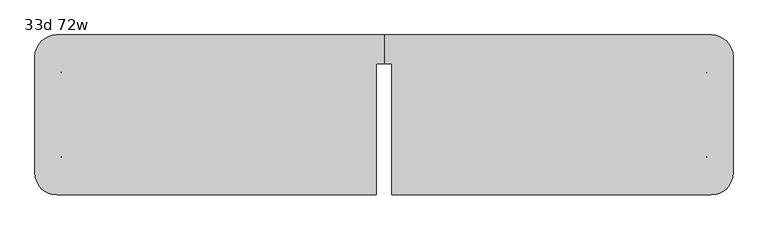
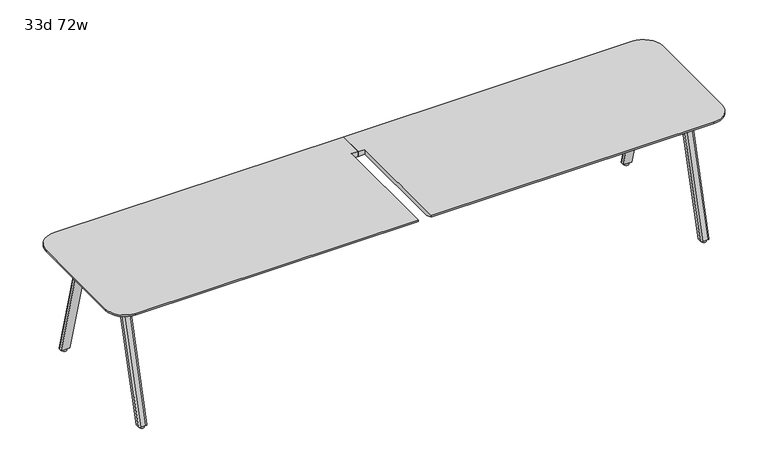
"""IFC4 building model written with IfcOpenShell, lengths in millimetres: furniture geometry, 33d 72w."""

from ifc_helpers import new_model, si_unit, point, frame, frame_2d, origin, origin_with_axes, place, context, project, spatial, polyline, circle_curve, trimmed, segment, composite_curve, outline, extrude, source, transform, mapped, element, save
from ifc_brep_helpers import plane_surface, cylinder_surface, revolved_surface, extruded_surface, advanced_brep


def furniture_33d_72w_185ea632(model_context):
    return source(origin(), model_context, "Body", "SolidModel", [
        extrude(outline(composite_curve([segment(trimmed(circle_curve(frame_2d((-2158.619, 11.3410641)), 9.525), [point((-2158.619, 1.8160641))], [point((-2168.144, 11.3410641))], False, "CARTESIAN"), True, "CONTINUOUS"), segment(polyline([(-2168.144, 11.3410641), (-2168.144, 94.0144335)]), True, "CONTINUOUS"), segment(trimmed(circle_curve(frame_2d((-2158.619, 94.0144335)), 9.525), [point((-2168.144, 94.0144335))], [point((-2158.619, 103.5394335))], False, "CARTESIAN"), True, "CONTINUOUS"), segment(polyline([(-2158.619, 103.5394335), (-2050.6690004, 103.5394335)]), True, "CONTINUOUS"), segment(trimmed(circle_curve(frame_2d((-2050.6690004, 94.0144335)), 9.525), [point((-2050.6690004, 103.5394335))], [point((-2041.1440004, 94.0144335))], False, "CARTESIAN"), True, "CONTINUOUS"), segment(polyline([(-2041.1440004, 94.0144335), (-2041.1440004, 11.3410641)]), True, "CONTINUOUS"), segment(trimmed(circle_curve(frame_2d((-2050.6690004, 11.3410641)), 9.525), [point((-2041.1440004, 11.3410641))], [point((-2050.6690004, 1.8160641))], False, "CARTESIAN"), True, "CONTINUOUS"), segment(polyline([(-2050.6690004, 1.8160641), (-2158.619, 1.8160641)]), True, "CONTINUOUS")], self_intersect=False)), frame((0.0, 0.0, 705.2055742), z_axis=(0.0, 0.0, 1.0), x_axis=(1.0, 0.0, 0.0)), (0.0, 0.0, 1.0), 5.9944258),
        advanced_brep(
        [(-2152.65, 96.3152734, 705.2055742), (-2162.175, 86.7902734, 705.2055742), (-2162.175, 66.1527734, 705.2055742), (-2111.375, 66.1527734, 705.2055742), (-2111.375, 86.7902734, 705.2055742), (-2120.9, 96.3152734, 705.2055742), (-2152.65, 282.8035641, 12.7), (-2120.9, 282.8035641, 12.7), (-2111.375, 273.2785641, 12.7), (-2111.375, 252.6410641, 12.7), (-2162.175, 252.6410641, 12.7), (-2162.175, 273.2785641, 12.7)],
        [
            (0, 1, circle_curve(frame((-2152.65, 86.7902734, 705.2055742), z_axis=(0.0, 0.0, 1.0), x_axis=(-1.0, 0.0, 0.0)), 9.525)),
            (1, 2),
            (2, 3),
            (3, 4),
            (4, 5, circle_curve(frame((-2120.9, 86.7902734, 705.2055742), z_axis=(0.0, 0.0, 1.0), x_axis=(-1.0, 0.0, 0.0)), 9.525)),
            (5, 0),
            (6, 7),
            (7, 8, circle_curve(frame((-2120.9, 273.2785641, 12.7), z_axis=(0.0, 0.0, -1.0), x_axis=(-1.0, 0.0, 0.0)), 9.525)),
            (8, 9),
            (9, 10),
            (10, 11),
            (11, 6, circle_curve(frame((-2152.65, 273.2785641, 12.7), z_axis=(0.0, 0.0, -1.0), x_axis=(-1.0, 0.0, 0.0)), 9.525)),
            (11, 1),
            (0, 6),
            (10, 2),
            (9, 3),
            (8, 4),
            (7, 5),
        ],
        [
            plane_surface(frame((-2136.775, 83.0861068, 705.2055742), z_axis=(0.0, 0.0, 1.0), x_axis=(1.0, 0.0, 0.0))),
            plane_surface(frame((-2136.775, 269.5743975, 12.7), z_axis=(0.0, 0.0, -1.0), x_axis=(1.0, 0.0, 0.0))),
            extruded_surface(trimmed(circle_curve(frame((-2152.65, 273.2785641, 12.7), z_axis=(0.0, 0.0, 1.0), x_axis=(-1.0, 0.0, 0.0)), 9.525), [point((-2152.65, 282.8035641, 12.7))], [point((-2162.175, 273.2785641, 12.7))], True, "CARTESIAN"), (0.0, -186.4882907, 692.5055742), 717.1763052878136),
            plane_surface(frame((-2162.175, 262.9598141, 12.7), z_axis=(-1.0, 0.0, 0.0), x_axis=(0.0, -1.0, 0.0))),
            plane_surface(frame((-2136.775, 252.6410641, 12.7), z_axis=(0.0, -0.9656001865922422, -0.260031305140414), x_axis=(1.0, 0.0, 0.0))),
            plane_surface(frame((-2111.375, 262.9598141, 12.7), z_axis=(1.0, 0.0, 0.0), x_axis=(0.0, 1.0, 0.0))),
            extruded_surface(trimmed(circle_curve(frame((-2120.9, 273.2785641, 12.7), z_axis=(0.0, 0.0, 1.0), x_axis=(-1.0, 0.0, 0.0)), 9.525), [point((-2111.375, 273.2785641, 12.7))], [point((-2120.9, 282.8035641, 12.7))], True, "CARTESIAN"), (0.0, -186.4882907, 692.5055742), 717.1763052878136),
            plane_surface(frame((-2136.775, 282.8035641, 12.7), z_axis=(0.0, 0.9656001865922422, 0.260031305140414), x_axis=(-1.0, 0.0, 0.0))),
        ],
        [
            (0, [[1, 2, 3, 4, 5, 6]]),
            (1, [[7, 8, 9, 10, 11, 12]]),
            (2, [[-12, 13, -1, 14]]),
            (3, [[-11, 15, -2, -13]]),
            (4, [[-10, 16, -3, -15]]),
            (5, [[-9, 17, -4, -16]]),
            (6, [[-8, 18, -5, -17]]),
            (7, [[-7, -14, -6, -18]]),
        ],
    ),
        extrude(outline(composite_curve([segment(trimmed(circle_curve(frame_2d((-2136.775, 266.9285641)), 12.7), [point((-2124.075, 266.9285641))], [point((-2149.475, 266.9285641))], False, "CARTESIAN"), True, "CONTINUOUS"), segment(trimmed(circle_curve(frame_2d((-2136.775, 266.9285641)), 12.7), [point((-2149.475, 266.9285641))], [point((-2124.075, 266.9285641))], False, "CARTESIAN"), True, "CONTINUOUS")], self_intersect=False)), origin_with_axes(), (0.0, 0.0, 1.0), 12.7),
        extrude(outline(composite_curve([segment(polyline([(-2158.619, -264.7980172), (-2050.6690004, -264.7980172)]), True, "CONTINUOUS"), segment(trimmed(circle_curve(frame_2d((-2050.6690004, -274.3230172)), 9.525), [point((-2050.6690004, -264.7980172))], [point((-2041.1440004, -274.3230172))], False, "CARTESIAN"), True, "CONTINUOUS"), segment(polyline([(-2041.1440004, -274.3230172), (-2041.1440004, -356.9963866)]), True, "CONTINUOUS"), segment(trimmed(circle_curve(frame_2d((-2050.6690004, -356.9963866)), 9.525), [point((-2041.1440004, -356.9963866))], [point((-2050.6690004, -366.5213866))], False, "CARTESIAN"), True, "CONTINUOUS"), segment(polyline([(-2050.6690004, -366.5213866), (-2158.619, -366.5213866)]), True, "CONTINUOUS"), segment(trimmed(circle_curve(frame_2d((-2158.619, -356.9963866)), 9.525), [point((-2158.619, -366.5213866))], [point((-2168.144, -356.9963866))], False, "CARTESIAN"), True, "CONTINUOUS"), segment(polyline([(-2168.144, -356.9963866), (-2168.144, -274.3230172)]), True, "CONTINUOUS"), segment(trimmed(circle_curve(frame_2d((-2158.619, -274.3230172)), 9.525), [point((-2168.144, -274.3230172))], [point((-2158.619, -264.7980172))], False, "CARTESIAN"), True, "CONTINUOUS")], self_intersect=False)), frame((0.0, 0.0, 705.2055742), z_axis=(0.0, 0.0, 1.0), x_axis=(1.0, 0.0, 0.0)), (0.0, 0.0, 1.0), 5.9944258),
        advanced_brep(
        [(-2152.65, -359.2972266, 705.2055742), (-2120.9, -359.2972266, 705.2055742), (-2111.375, -349.7722266, 705.2055742), (-2111.375, -329.1347266, 705.2055742), (-2162.175, -329.1347266, 705.2055742), (-2162.175, -349.7722266, 705.2055742), (-2152.65, -545.7855172, 12.7), (-2162.175, -536.2605172, 12.7), (-2162.175, -515.6230172, 12.7), (-2111.375, -515.6230172, 12.7), (-2111.375, -536.2605172, 12.7), (-2120.9, -545.7855172, 12.7)],
        [
            (0, 1),
            (1, 2, circle_curve(frame((-2120.9, -349.7722266, 705.2055742), z_axis=(0.0, 0.0, 1.0), x_axis=(-1.0, 0.0, 0.0)), 9.525)),
            (2, 3),
            (3, 4),
            (4, 5),
            (5, 0, circle_curve(frame((-2152.65, -349.7722266, 705.2055742), z_axis=(0.0, 0.0, 1.0), x_axis=(-1.0, 0.0, 0.0)), 9.525)),
            (6, 7, circle_curve(frame((-2152.65, -536.2605172, 12.7), z_axis=(0.0, 0.0, -1.0), x_axis=(-1.0, 0.0, 0.0)), 9.525)),
            (7, 8),
            (8, 9),
            (9, 10),
            (10, 11, circle_curve(frame((-2120.9, -536.2605172, 12.7), z_axis=(0.0, 0.0, -1.0), x_axis=(-1.0, 0.0, 0.0)), 9.525)),
            (11, 6),
            (6, 0),
            (5, 7),
            (4, 8),
            (3, 9),
            (2, 10),
            (1, 11),
        ],
        [
            plane_surface(frame((-2136.775, -346.0680599, 705.2055742), z_axis=(0.0, 0.0, 1.0), x_axis=(1.0, 0.0, 0.0))),
            plane_surface(frame((-2136.775, -532.5563506, 12.7), z_axis=(0.0, 0.0, -1.0), x_axis=(1.0, 0.0, 0.0))),
            extruded_surface(trimmed(circle_curve(frame((-2152.65, -349.7722266, 705.2055742), z_axis=(0.0, 0.0, -1.0), x_axis=(-1.0, 0.0, 0.0)), 9.525), [point((-2152.65, -359.2972266, 705.2055742))], [point((-2162.175, -349.7722266, 705.2055742))], True, "CARTESIAN"), (0.0, -186.48829059999997, -692.5055742), 717.1763052618105),
            plane_surface(frame((-2162.175, -525.9417672, 12.7), z_axis=(-1.0, 0.0, 0.0), x_axis=(0.0, 1.0, 0.0))),
            plane_surface(frame((-2136.775, -515.6230172, 12.7), z_axis=(0.0, 0.9656001865922422, -0.260031305140414), x_axis=(1.0, 0.0, 0.0))),
            plane_surface(frame((-2111.375, -525.9417672, 12.7), z_axis=(1.0, 0.0, 0.0), x_axis=(0.0, -1.0, 0.0))),
            extruded_surface(trimmed(circle_curve(frame((-2120.9, -349.7722266, 705.2055742), z_axis=(0.0, 0.0, -1.0), x_axis=(-1.0, 0.0, 0.0)), 9.525), [point((-2111.375, -349.7722266, 705.2055742))], [point((-2120.9, -359.2972266, 705.2055742))], True, "CARTESIAN"), (0.0, -186.48829059999997, -692.5055742), 717.1763052618105),
            plane_surface(frame((-2136.775, -545.7855172, 12.7), z_axis=(0.0, -0.9656001865922422, 0.260031305140414), x_axis=(-1.0, 0.0, 0.0))),
        ],
        [
            (0, [[1, 2, 3, 4, 5, 6]]),
            (1, [[7, 8, 9, 10, 11, 12]]),
            (2, [[13, -6, 14, -7]]),
            (3, [[-14, -5, 15, -8]]),
            (4, [[-15, -4, 16, -9]]),
            (5, [[-16, -3, 17, -10]]),
            (6, [[-17, -2, 18, -11]]),
            (7, [[-18, -1, -13, -12]]),
        ],
    ),
        extrude(outline(composite_curve([segment(trimmed(circle_curve(frame_2d((-2136.775, -529.9105172)), 12.7), [point((-2124.075, -529.9105172))], [point((-2149.475, -529.9105172))], False, "CARTESIAN"), True, "CONTINUOUS"), segment(trimmed(circle_curve(frame_2d((-2136.775, -529.9105172)), 12.7), [point((-2149.475, -529.9105172))], [point((-2124.075, -529.9105172))], False, "CARTESIAN"), True, "CONTINUOUS")], self_intersect=False)), origin_with_axes(), (0.0, 0.0, 1.0), 12.7),
        advanced_brep(
        [(-509.5875, -550.5909766, 741.3625), (-509.5875, 135.2090234, 741.3625), (-469.9, 135.2090234, 741.3625), (-469.9, 287.6090234, 741.3625), (-2184.4, 287.6090234, 741.3625), (-2298.7, 173.3090234, 741.3625), (-2298.7, -436.2909766, 741.3625), (-2184.4, -550.5909766, 741.3625), (-509.5875, 135.2090234, 711.2), (-509.5875, -499.7909766, 711.2), (-2184.4, -499.7909766, 711.2), (-2247.9, -436.2909766, 711.2), (-2247.9, 173.3090234, 711.2), (-2184.4, 236.8090234, 711.2), (-469.9, 236.8090234, 711.2), (-469.9, 135.2090234, 711.2), (-2184.4, -550.5909766, 731.8375), (-509.5875, -550.5909766, 731.8375), (-2298.7, 173.3090234, 731.8375), (-2298.7, -436.2909766, 731.8375), (-469.9, 287.6090234, 731.8375), (-2184.4, 287.6090234, 731.8375)],
        [
            (0, 1),
            (1, 2),
            (2, 3),
            (3, 4),
            (4, 5, circle_curve(frame((-2184.4, 173.3090234, 741.3625), z_axis=(0.0, 0.0, 1.0), x_axis=(-1.0, 0.0, 0.0)), 114.3)),
            (5, 6),
            (6, 7, circle_curve(frame((-2184.4, -436.2909766, 741.3625), z_axis=(0.0, 0.0, 1.0), x_axis=(-1.0, 0.0, 0.0)), 114.3)),
            (7, 0),
            (8, 9),
            (9, 10),
            (10, 11, circle_curve(frame((-2184.4, -436.2909766, 711.2), z_axis=(0.0, 0.0, -1.0), x_axis=(0.0, -1.0, 0.0)), 63.5)),
            (11, 12),
            (12, 13, circle_curve(frame((-2184.4, 173.3090234, 711.2), z_axis=(0.0, 0.0, -1.0), x_axis=(-1.0, 0.0, 0.0)), 63.5)),
            (13, 14),
            (14, 15),
            (15, 8),
            (7, 16),
            (16, 17),
            (17, 0),
            (5, 18),
            (18, 19),
            (19, 6),
            (19, 16, circle_curve(frame((-2184.4, -436.2909766, 731.8375), z_axis=(0.0, 0.0, 1.0), x_axis=(-1.0, 0.0, 0.0)), 114.3)),
            (3, 20),
            (20, 21),
            (21, 4),
            (9, 17),
            (16, 10),
            (19, 11),
            (18, 12),
            (18, 21, circle_curve(frame((-2184.4, 173.3090234, 731.8375), z_axis=(0.0, 0.0, -1.0), x_axis=(-1.0, 0.0, 0.0)), 114.3)),
            (21, 13),
            (20, 14),
            (1, 8),
            (15, 2),
        ],
        [
            plane_surface(frame((-2184.4, -550.5909766, 741.3625), z_axis=(0.0, 0.0, 1.0), x_axis=(-1.0, 0.0, 0.0))),
            plane_surface(frame((-2184.4, -550.5909766, 711.2), z_axis=(0.0, 0.0, -1.0), x_axis=(1.0, 0.0, 0.0))),
            plane_surface(frame((-509.5875, -550.5909766, 741.3625), z_axis=(0.0, -1.0, 0.0), x_axis=(0.0, 0.0, -1.0))),
            plane_surface(frame((-2298.7, -436.2909766, 741.3625), z_axis=(-1.0, 0.0, 0.0), x_axis=(0.0, 0.0, -1.0))),
            cylinder_surface(frame((-2184.4, -436.2909766, 711.2), z_axis=(0.0, 0.0, 1.0), x_axis=(-1.0, 0.0, 0.0)), 114.3),
            plane_surface(frame((-2184.4, 287.6090234, 741.3625), z_axis=(0.0, 1.0, 0.0), x_axis=(0.0, 0.0, -1.0))),
            plane_surface(frame((-509.5875, -550.5909766, 731.8375), z_axis=(0.0, -0.3763770469570871, -0.9264665771218423), x_axis=(-1.0, 0.0, 0.0))),
            revolved_surface(polyline([(-2184.4, -499.7909766, 711.2), (-2184.4, -550.5909766, 731.8375)]), (-2184.4, -436.2909766, 0.0), (0.0, 0.0, 1.0)),
            plane_surface(frame((-2298.7, -436.2909766, 731.8375), z_axis=(-0.3763770469570871, 0.0, -0.9264665771218423), x_axis=(0.0, 1.0, 0.0))),
            revolved_surface(polyline([(-2247.9, 173.3090234, 711.2), (-2298.7, 173.3090234, 731.8375)]), (-2184.4, 173.3090234, 0.0), (0.0, 0.0, 1.0)),
            plane_surface(frame((-2184.4, 287.6090234, 731.8375), z_axis=(0.0, 0.3763770469570871, -0.9264665771218423), x_axis=(1.0, 0.0, 0.0))),
            cylinder_surface(frame((-2184.4, 173.3090234, 711.2), z_axis=(0.0, 0.0, 1.0), x_axis=(-1.0, 0.0, 0.0)), 114.3),
            plane_surface(frame((-469.9, 135.2090234, 741.3625), z_axis=(0.0, -1.0, 0.0), x_axis=(0.0, 0.0, -1.0))),
            plane_surface(frame((-469.9, 287.6090234, 741.3625), z_axis=(1.0, 0.0, 0.0), x_axis=(0.0, 0.0, -1.0))),
            plane_surface(frame((-509.5875, 135.2090234, 741.3625), z_axis=(1.0, 0.0, 0.0), x_axis=(0.0, 0.0, -1.0))),
        ],
        [
            (0, [[1, 2, 3, 4, 5, 6, 7, 8]]),
            (1, [[9, 10, 11, 12, 13, 14, 15, 16]]),
            (2, [[17, 18, 19, -8]]),
            (3, [[20, 21, 22, -6]]),
            (4, [[-22, 23, -17, -7]]),
            (5, [[24, 25, 26, -4]]),
            (6, [[-10, 27, -18, 28]]),
            (7, [[-23, 29, -11, -28]]),
            (8, [[-21, 30, -12, -29]]),
            (9, [[31, 32, -13, -30]]),
            (10, [[-25, 33, -14, -32]]),
            (11, [[-26, -31, -20, -5]]),
            (12, [[34, -16, 35, -2]]),
            (13, [[-35, -15, -33, -24, -3]]),
            (14, [[-19, -27, -9, -34, -1]]),
        ],
    ),
        advanced_brep(
        [(-430.2125, -550.5909766, 741.3625), (1244.6, -550.5909766, 741.3625), (1358.9, -436.2909766, 741.3625), (1358.9, 173.3090234, 741.3625), (1244.6, 287.6090234, 741.3625), (-469.9, 287.6090234, 741.3625), (-469.9, 135.2090234, 741.3625), (-430.2125, 135.2090234, 741.3625), (-430.2125, 135.2090234, 711.2), (-469.9, 135.2090234, 711.2), (-469.9, 236.8090234, 711.2), (1244.6, 236.8090234, 711.2), (1308.1, 173.3090234, 711.2), (1308.1, -436.2909766, 711.2), (1244.6, -499.7909766, 711.2), (-430.2125, -499.7909766, 711.2), (-430.2125, -550.5909766, 731.8375), (1244.6, -550.5909766, 731.8375), (1358.9, -436.2909766, 731.8375), (1358.9, 173.3090234, 731.8375), (1244.6, 287.6090234, 731.8375), (-469.9, 287.6090234, 731.8375)],
        [
            (0, 1),
            (1, 2, circle_curve(frame((1244.6, -436.2909766, 741.3625), z_axis=(0.0, 0.0, 1.0), x_axis=(1.0, 0.0, 0.0)), 114.3)),
            (2, 3),
            (3, 4, circle_curve(frame((1244.6, 173.3090234, 741.3625), z_axis=(0.0, 0.0, 1.0), x_axis=(1.0, 0.0, 0.0)), 114.3)),
            (4, 5),
            (5, 6),
            (6, 7),
            (7, 0),
            (8, 9),
            (9, 10),
            (10, 11),
            (11, 12, circle_curve(frame((1244.6, 173.3090234, 711.2), z_axis=(0.0, 0.0, -1.0), x_axis=(1.0, 0.0, 0.0)), 63.5)),
            (12, 13),
            (13, 14, circle_curve(frame((1244.6, -436.2909766, 711.2), z_axis=(0.0, 0.0, -1.0), x_axis=(0.0, -1.0, 0.0)), 63.5)),
            (14, 15),
            (15, 8),
            (0, 16),
            (16, 17),
            (17, 1),
            (2, 18),
            (18, 19),
            (19, 3),
            (17, 18, circle_curve(frame((1244.6, -436.2909766, 731.8375), z_axis=(0.0, 0.0, 1.0), x_axis=(1.0, 0.0, 0.0)), 114.3)),
            (4, 20),
            (20, 21),
            (21, 5),
            (14, 17),
            (16, 15),
            (13, 18),
            (12, 19),
            (11, 20),
            (20, 19, circle_curve(frame((1244.6, 173.3090234, 731.8375), z_axis=(0.0, 0.0, -1.0), x_axis=(1.0, 0.0, 0.0)), 114.3)),
            (10, 21),
            (6, 9),
            (8, 7),
        ],
        [
            plane_surface(frame((1244.6, -550.5909766, 741.3625), z_axis=(0.0, 0.0, 1.0), x_axis=(1.0, 0.0, 0.0))),
            plane_surface(frame((1244.6, -550.5909766, 711.2), z_axis=(0.0, 0.0, -1.0), x_axis=(-1.0, 0.0, 0.0))),
            plane_surface(frame((-430.2125, -550.5909766, 741.3625), z_axis=(0.0, -1.0, 0.0), x_axis=(0.0, 0.0, -1.0))),
            plane_surface(frame((1358.9, -436.2909766, 741.3625), z_axis=(1.0, 0.0, 0.0), x_axis=(0.0, 0.0, -1.0))),
            cylinder_surface(frame((1244.6, -436.2909766, 711.2), z_axis=(0.0, 0.0, 1.0), x_axis=(1.0, 0.0, 0.0)), 114.3),
            plane_surface(frame((1244.6, 287.6090234, 741.3625), z_axis=(0.0, 1.0, 0.0), x_axis=(0.0, 0.0, -1.0))),
            plane_surface(frame((-430.2125, -550.5909766, 731.8375), z_axis=(0.0, -0.3763770469570871, -0.9264665771218423), x_axis=(1.0, 0.0, 0.0))),
            revolved_surface(polyline([(1244.6, -499.7909766, 711.2), (1244.6, -550.5909766, 731.8375)]), (1244.6, -436.2909766, 0.0), (0.0, 0.0, 1.0)),
            plane_surface(frame((1358.9, -436.2909766, 731.8375), z_axis=(0.3763770469570871, 0.0, -0.9264665771218423), x_axis=(0.0, 1.0, 0.0))),
            revolved_surface(polyline([(1308.1, 173.3090234, 711.2), (1358.9, 173.3090234, 731.8375)]), (1244.6, 173.3090234, 0.0), (0.0, 0.0, 1.0)),
            plane_surface(frame((1244.6, 287.6090234, 731.8375), z_axis=(0.0, 0.3763770469570871, -0.9264665771218423), x_axis=(-1.0, 0.0, 0.0))),
            cylinder_surface(frame((1244.6, 173.3090234, 711.2), z_axis=(0.0, 0.0, 1.0), x_axis=(1.0, 0.0, 0.0)), 114.3),
            plane_surface(frame((-469.9, 135.2090234, 741.3625), z_axis=(0.0, -1.0, 0.0), x_axis=(0.0, 0.0, -1.0))),
            plane_surface(frame((-469.9, 287.6090234, 741.3625), z_axis=(-1.0, 0.0, 0.0), x_axis=(0.0, 0.0, -1.0))),
            plane_surface(frame((-430.2125, 135.2090234, 741.3625), z_axis=(-1.0, 0.0, 0.0), x_axis=(0.0, 0.0, -1.0))),
        ],
        [
            (0, [[1, 2, 3, 4, 5, 6, 7, 8]]),
            (1, [[9, 10, 11, 12, 13, 14, 15, 16]]),
            (2, [[-1, 17, 18, 19]]),
            (3, [[-3, 20, 21, 22]]),
            (4, [[-2, -19, 23, -20]]),
            (5, [[-5, 24, 25, 26]]),
            (6, [[27, -18, 28, -15]]),
            (7, [[-27, -14, 29, -23]]),
            (8, [[-29, -13, 30, -21]]),
            (9, [[-30, -12, 31, 32]]),
            (10, [[-31, -11, 33, -25]]),
            (11, [[-4, -22, -32, -24]]),
            (12, [[-7, 34, -9, 35]]),
            (13, [[-6, -26, -33, -10, -34]]),
            (14, [[-8, -35, -16, -28, -17]]),
        ],
    ),
        extrude(outline(composite_curve([segment(polyline([(1218.819, 1.8160641), (1110.8690004, 1.8160641)]), True, "CONTINUOUS"), segment(trimmed(circle_curve(frame_2d((1110.8690004, 11.3410641)), 9.525), [point((1110.8690004, 1.8160641))], [point((1101.3440004, 11.3410641))], False, "CARTESIAN"), True, "CONTINUOUS"), segment(polyline([(1101.3440004, 11.3410641), (1101.3440004, 94.0144335)]), True, "CONTINUOUS"), segment(trimmed(circle_curve(frame_2d((1110.8690004, 94.0144335)), 9.525), [point((1101.3440004, 94.0144335))], [point((1110.8690004, 103.5394335))], False, "CARTESIAN"), True, "CONTINUOUS"), segment(polyline([(1110.8690004, 103.5394335), (1218.819, 103.5394335)]), True, "CONTINUOUS"), segment(trimmed(circle_curve(frame_2d((1218.819, 94.0144335)), 9.525), [point((1218.819, 103.5394335))], [point((1228.344, 94.0144335))], False, "CARTESIAN"), True, "CONTINUOUS"), segment(polyline([(1228.344, 94.0144335), (1228.344, 11.3410641)]), True, "CONTINUOUS"), segment(trimmed(circle_curve(frame_2d((1218.819, 11.3410641)), 9.525), [point((1228.344, 11.3410641))], [point((1218.819, 1.8160641))], False, "CARTESIAN"), True, "CONTINUOUS")], self_intersect=False)), frame((0.0, 0.0, 705.2055742), z_axis=(0.0, 0.0, 1.0), x_axis=(1.0, 0.0, 0.0)), (0.0, 0.0, 1.0), 5.9944258),
        advanced_brep(
        [(1212.85, 96.3152734, 705.2055742), (1181.1, 96.3152734, 705.2055742), (1171.575, 86.7902734, 705.2055742), (1171.575, 66.1527734, 705.2055742), (1222.375, 66.1527734, 705.2055742), (1222.375, 86.7902734, 705.2055742), (1212.85, 282.8035641, 12.7), (1222.375, 273.2785641, 12.7), (1222.375, 252.6410641, 12.7), (1171.575, 252.6410641, 12.7), (1171.575, 273.2785641, 12.7), (1181.1, 282.8035641, 12.7)],
        [
            (0, 1),
            (1, 2, circle_curve(frame((1181.1, 86.7902734, 705.2055742), z_axis=(0.0, 0.0, 1.0), x_axis=(1.0, 0.0, 0.0)), 9.525)),
            (2, 3),
            (3, 4),
            (4, 5),
            (5, 0, circle_curve(frame((1212.85, 86.7902734, 705.2055742), z_axis=(0.0, 0.0, 1.0), x_axis=(1.0, 0.0, 0.0)), 9.525)),
            (6, 7, circle_curve(frame((1212.85, 273.2785641, 12.7), z_axis=(0.0, 0.0, -1.0), x_axis=(1.0, 0.0, 0.0)), 9.525)),
            (7, 8),
            (8, 9),
            (9, 10),
            (10, 11, circle_curve(frame((1181.1, 273.2785641, 12.7), z_axis=(0.0, 0.0, -1.0), x_axis=(1.0, 0.0, 0.0)), 9.525)),
            (11, 6),
            (6, 0),
            (5, 7),
            (4, 8),
            (3, 9),
            (2, 10),
            (1, 11),
        ],
        [
            plane_surface(frame((1196.975, 83.0861068, 705.2055742), z_axis=(0.0, 0.0, 1.0), x_axis=(-1.0, 0.0, 0.0))),
            plane_surface(frame((1196.975, 269.5743975, 12.7), z_axis=(0.0, 0.0, -1.0), x_axis=(-1.0, 0.0, 0.0))),
            extruded_surface(trimmed(circle_curve(frame((1212.85, 86.7902734, 705.2055742), z_axis=(0.0, 0.0, -1.0), x_axis=(1.0, 0.0, 0.0)), 9.525), [point((1212.85, 96.3152734, 705.2055742))], [point((1222.375, 86.7902734, 705.2055742))], True, "CARTESIAN"), (0.0, 186.4882907, -692.5055742), 717.1763052878136),
            plane_surface(frame((1222.375, 262.9598141, 12.7), z_axis=(1.0, 0.0, 0.0), x_axis=(0.0, -1.0, 0.0))),
            plane_surface(frame((1196.975, 252.6410641, 12.7), z_axis=(0.0, -0.9656001865922422, -0.260031305140414), x_axis=(-1.0, 0.0, 0.0))),
            plane_surface(frame((1171.575, 262.9598141, 12.7), z_axis=(-1.0, 0.0, 0.0), x_axis=(0.0, 1.0, 0.0))),
            extruded_surface(trimmed(circle_curve(frame((1181.1, 86.7902734, 705.2055742), z_axis=(0.0, 0.0, -1.0), x_axis=(1.0, 0.0, 0.0)), 9.525), [point((1171.575, 86.7902734, 705.2055742))], [point((1181.1, 96.3152734, 705.2055742))], True, "CARTESIAN"), (0.0, 186.4882907, -692.5055742), 717.1763052878136),
            plane_surface(frame((1196.975, 282.8035641, 12.7), z_axis=(0.0, 0.9656001865922422, 0.260031305140414), x_axis=(1.0, 0.0, 0.0))),
        ],
        [
            (0, [[1, 2, 3, 4, 5, 6]]),
            (1, [[7, 8, 9, 10, 11, 12]]),
            (2, [[13, -6, 14, -7]]),
            (3, [[-14, -5, 15, -8]]),
            (4, [[-15, -4, 16, -9]]),
            (5, [[-16, -3, 17, -10]]),
            (6, [[-17, -2, 18, -11]]),
            (7, [[-18, -1, -13, -12]]),
        ],
    ),
        extrude(outline(composite_curve([segment(trimmed(circle_curve(frame_2d((1196.975, 266.9285641)), 12.7), [point((1184.275, 266.9285641))], [point((1209.675, 266.9285641))], False, "CARTESIAN"), True, "CONTINUOUS"), segment(trimmed(circle_curve(frame_2d((1196.975, 266.9285641)), 12.7), [point((1209.675, 266.9285641))], [point((1184.275, 266.9285641))], False, "CARTESIAN"), True, "CONTINUOUS")], self_intersect=False)), origin_with_axes(), (0.0, 0.0, 1.0), 12.7),
        extrude(outline(composite_curve([segment(trimmed(circle_curve(frame_2d((1218.819, -274.3230172)), 9.525), [point((1218.819, -264.7980172))], [point((1228.344, -274.3230172))], False, "CARTESIAN"), True, "CONTINUOUS"), segment(polyline([(1228.344, -274.3230172), (1228.344, -356.9963866)]), True, "CONTINUOUS"), segment(trimmed(circle_curve(frame_2d((1218.819, -356.9963866)), 9.525), [point((1228.344, -356.9963866))], [point((1218.819, -366.5213866))], False, "CARTESIAN"), True, "CONTINUOUS"), segment(polyline([(1218.819, -366.5213866), (1110.8690004, -366.5213866)]), True, "CONTINUOUS"), segment(trimmed(circle_curve(frame_2d((1110.8690004, -356.9963866)), 9.525), [point((1110.8690004, -366.5213866))], [point((1101.3440004, -356.9963866))], False, "CARTESIAN"), True, "CONTINUOUS"), segment(polyline([(1101.3440004, -356.9963866), (1101.3440004, -274.3230172)]), True, "CONTINUOUS"), segment(trimmed(circle_curve(frame_2d((1110.8690004, -274.3230172)), 9.525), [point((1101.3440004, -274.3230172))], [point((1110.8690004, -264.7980172))], False, "CARTESIAN"), True, "CONTINUOUS"), segment(polyline([(1110.8690004, -264.7980172), (1218.819, -264.7980172)]), True, "CONTINUOUS")], self_intersect=False)), frame((0.0, 0.0, 705.2055742), z_axis=(0.0, 0.0, 1.0), x_axis=(1.0, 0.0, 0.0)), (0.0, 0.0, 1.0), 5.9944258),
        advanced_brep(
        [(1212.85, -359.2972266, 705.2055742), (1222.375, -349.7722266, 705.2055742), (1222.375, -329.1347266, 705.2055742), (1171.575, -329.1347266, 705.2055742), (1171.575, -349.7722266, 705.2055742), (1181.1, -359.2972266, 705.2055742), (1212.85, -545.7855172, 12.7), (1181.1, -545.7855172, 12.7), (1171.575, -536.2605172, 12.7), (1171.575, -515.6230172, 12.7), (1222.375, -515.6230172, 12.7), (1222.375, -536.2605172, 12.7)],
        [
            (0, 1, circle_curve(frame((1212.85, -349.7722266, 705.2055742), z_axis=(0.0, 0.0, 1.0), x_axis=(1.0, 0.0, 0.0)), 9.525)),
            (1, 2),
            (2, 3),
            (3, 4),
            (4, 5, circle_curve(frame((1181.1, -349.7722266, 705.2055742), z_axis=(0.0, 0.0, 1.0), x_axis=(1.0, 0.0, 0.0)), 9.525)),
            (5, 0),
            (6, 7),
            (7, 8, circle_curve(frame((1181.1, -536.2605172, 12.7), z_axis=(0.0, 0.0, -1.0), x_axis=(1.0, 0.0, 0.0)), 9.525)),
            (8, 9),
            (9, 10),
            (10, 11),
            (11, 6, circle_curve(frame((1212.85, -536.2605172, 12.7), z_axis=(0.0, 0.0, -1.0), x_axis=(1.0, 0.0, 0.0)), 9.525)),
            (11, 1),
            (0, 6),
            (10, 2),
            (9, 3),
            (8, 4),
            (7, 5),
        ],
        [
            plane_surface(frame((1196.975, -346.0680599, 705.2055742), z_axis=(0.0, 0.0, 1.0), x_axis=(-1.0, 0.0, 0.0))),
            plane_surface(frame((1196.975, -532.5563506, 12.7), z_axis=(0.0, 0.0, -1.0), x_axis=(-1.0, 0.0, 0.0))),
            extruded_surface(trimmed(circle_curve(frame((1212.85, -536.2605172, 12.7), z_axis=(0.0, 0.0, 1.0), x_axis=(1.0, 0.0, 0.0)), 9.525), [point((1212.85, -545.7855172, 12.7))], [point((1222.375, -536.2605172, 12.7))], True, "CARTESIAN"), (0.0, 186.48829059999997, 692.5055742), 717.1763052618105),
            plane_surface(frame((1222.375, -525.9417672, 12.7), z_axis=(1.0, 0.0, 0.0), x_axis=(0.0, 1.0, 0.0))),
            plane_surface(frame((1196.975, -515.6230172, 12.7), z_axis=(0.0, 0.9656001865922422, -0.260031305140414), x_axis=(-1.0, 0.0, 0.0))),
            plane_surface(frame((1171.575, -525.9417672, 12.7), z_axis=(-1.0, 0.0, 0.0), x_axis=(0.0, -1.0, 0.0))),
            extruded_surface(trimmed(circle_curve(frame((1181.1, -536.2605172, 12.7), z_axis=(0.0, 0.0, 1.0), x_axis=(1.0, 0.0, 0.0)), 9.525), [point((1171.575, -536.2605172, 12.7))], [point((1181.1, -545.7855172, 12.7))], True, "CARTESIAN"), (0.0, 186.48829059999997, 692.5055742), 717.1763052618105),
            plane_surface(frame((1196.975, -545.7855172, 12.7), z_axis=(0.0, -0.9656001865922422, 0.260031305140414), x_axis=(1.0, 0.0, 0.0))),
        ],
        [
            (0, [[1, 2, 3, 4, 5, 6]]),
            (1, [[7, 8, 9, 10, 11, 12]]),
            (2, [[-12, 13, -1, 14]]),
            (3, [[-11, 15, -2, -13]]),
            (4, [[-10, 16, -3, -15]]),
            (5, [[-9, 17, -4, -16]]),
            (6, [[-8, 18, -5, -17]]),
            (7, [[-7, -14, -6, -18]]),
        ],
    ),
        extrude(outline(composite_curve([segment(trimmed(circle_curve(frame_2d((1196.975, -529.9105172)), 12.7), [point((1184.275, -529.9105172))], [point((1209.675, -529.9105172))], False, "CARTESIAN"), True, "CONTINUOUS"), segment(trimmed(circle_curve(frame_2d((1196.975, -529.9105172)), 12.7), [point((1209.675, -529.9105172))], [point((1184.275, -529.9105172))], False, "CARTESIAN"), True, "CONTINUOUS")], self_intersect=False)), origin_with_axes(), (0.0, 0.0, 1.0), 12.7),
    ])


if __name__ == "__main__":
    model = new_model("IFC4")
    model_context = context("Model", 3, world=origin())
    ifc_project = project(units=[si_unit("LENGTHUNIT", "METRE", prefix="MILLI")], contexts=[model_context])
    site = spatial("IfcSite", under=ifc_project)
    building = spatial("IfcBuilding", under=site)
    placement = place(None, origin())
    furniture_33d_72w_shape = furniture_33d_72w_185ea632(model_context)
    element("IfcFurniture", 1, ObjectType="33d 72w", at=placement, inside=building, context=model_context, shape_type="MappedRepresentation", body=[
        mapped(furniture_33d_72w_shape, transform((0.0, 0.0, 0.0), x_axis=(1.0, 0.0, 0.0), y_axis=(0.0, 1.0, 0.0), z_axis=(0.0, 0.0, 1.0))),
    ])
    save(model, "model.ifc")
